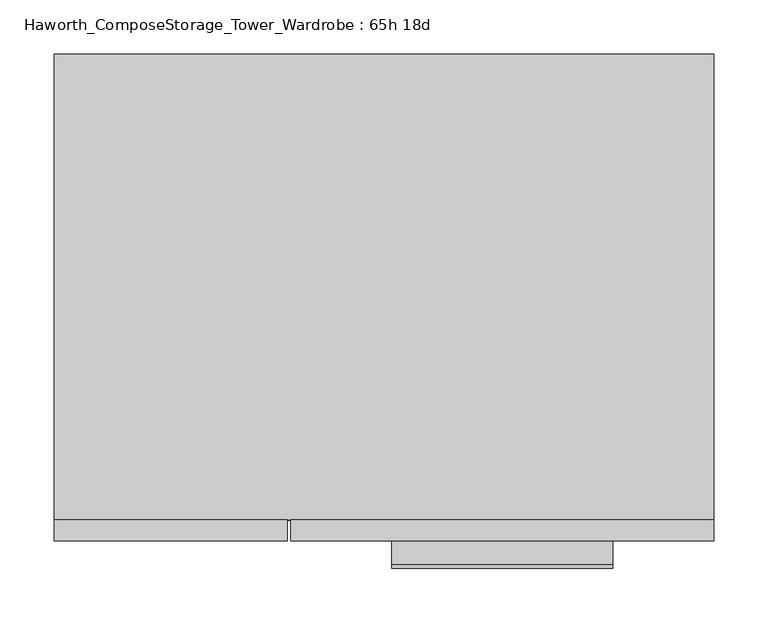
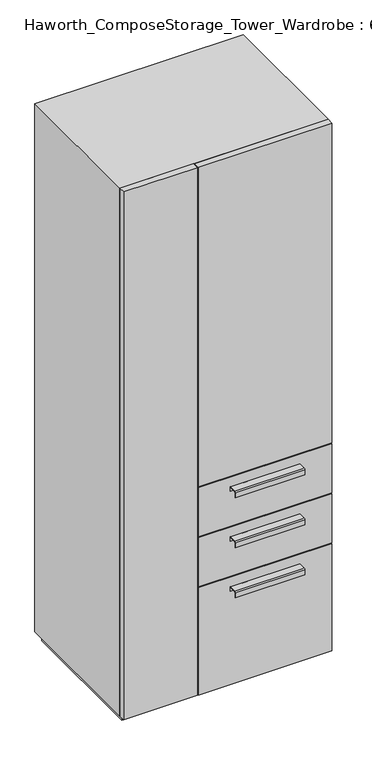
"""IFC4 building model written with IfcOpenShell, lengths in millimetres: furniture geometry, Haworth_ComposeStorage_Tower_Wardrobe : 65h 18d."""

from ifc_helpers import new_model, si_unit, point, frame, frame_2d, origin, origin_with_axes, place, context, project, spatial, polyline, circle_curve, trimmed, segment, composite_curve, outline, extrude, faceted_brep, source, transform, mapped, element, save


def haworth_composestorage_tower_wardrobe_65h_18d_4445e06e(model_context):
    return source(origin(), model_context, "Body", "SolidModel", [
        extrude(outline(composite_curve([segment(polyline([(-255.5875242, 633.9919215), (-233.3625, 633.9919215), (-233.3625, 620.5299525), (-234.1562742, 620.5299525), (-234.1562742, 633.1982199), (-255.5875242, 633.1982199)]), True, "CONTINUOUS"), segment(trimmed(circle_curve(frame_2d((-255.5875242, 630.8142808)), 2.3839392), [point((-255.5875242, 633.1982199))], [point((-257.9714634, 630.8142808))], True, "CARTESIAN"), True, "CONTINUOUS"), segment(polyline([(-257.9714634, 630.8142808), (-257.9714634, 616.2119021), (-258.7624758, 616.2119021), (-258.7624758, 630.8169699)]), True, "CONTINUOUS"), segment(trimmed(circle_curve(frame_2d((-255.5875242, 630.8169699)), 3.1749516), [point((-258.7624758, 630.8169699))], [point((-255.5875242, 633.9919215))], False, "CARTESIAN"), True, "CONTINUOUS")], self_intersect=False)), frame((7.1576406, 0.0, 0.0), z_axis=(1.0, 0.0, 0.0), x_axis=(0.0, 1.0, 0.0)), (0.0, 0.0, 1.0), 203.2),
        extrude(outline(polyline([(303.2263906, -214.3125), (303.2263906, -233.3625), (-85.7111094, -233.3625), (-85.7111094, -214.3125), (303.2263906, -214.3125)])), frame((0.0, 0.0, 512.7625), z_axis=(0.0, 0.0, 1.0), x_axis=(1.0, 0.0, 0.0)), (0.0, 0.0, 1.0), 150.8125),
        extrude(outline(composite_curve([segment(polyline([(-255.5875242, 480.0044215), (-233.3625, 480.0044215), (-233.3625, 466.5424525), (-234.1562742, 466.5424525), (-234.1562742, 479.2107199), (-255.5875242, 479.2107199)]), True, "CONTINUOUS"), segment(trimmed(circle_curve(frame_2d((-255.5875242, 476.8267808)), 2.3839392), [point((-255.5875242, 479.2107199))], [point((-257.9714634, 476.8267808))], True, "CARTESIAN"), True, "CONTINUOUS"), segment(polyline([(-257.9714634, 476.8267808), (-257.9714634, 462.2244021), (-258.7624758, 462.2244021), (-258.7624758, 476.8294699)]), True, "CONTINUOUS"), segment(trimmed(circle_curve(frame_2d((-255.5875242, 476.8294699)), 3.1749516), [point((-258.7624758, 476.8294699))], [point((-255.5875242, 480.0044215))], False, "CARTESIAN"), True, "CONTINUOUS")], self_intersect=False)), frame((7.1576406, 0.0, 0.0), z_axis=(1.0, 0.0, 0.0), x_axis=(0.0, 1.0, 0.0)), (0.0, 0.0, 1.0), 203.2),
        extrude(outline(polyline([(303.2263906, -214.3125), (303.2263906, -233.3625), (-85.7111094, -233.3625), (-85.7111094, -214.3125), (303.2263906, -214.3125)])), frame((0.0, 0.0, 358.775), z_axis=(0.0, 0.0, 1.0), x_axis=(1.0, 0.0, 0.0)), (0.0, 0.0, 1.0), 150.8125),
        extrude(outline(composite_curve([segment(polyline([(-255.5875242, 326.0169215), (-233.3625, 326.0169215), (-233.3625, 312.5549525), (-234.1562742, 312.5549525), (-234.1562742, 325.2232199), (-255.5875242, 325.2232199)]), True, "CONTINUOUS"), segment(trimmed(circle_curve(frame_2d((-255.5875242, 322.8392808)), 2.3839392), [point((-255.5875242, 325.2232199))], [point((-257.9714634, 322.8392808))], True, "CARTESIAN"), True, "CONTINUOUS"), segment(polyline([(-257.9714634, 322.8392808), (-257.9714634, 308.2369021), (-258.7624758, 308.2369021), (-258.7624758, 322.8419699)]), True, "CONTINUOUS"), segment(trimmed(circle_curve(frame_2d((-255.5875242, 322.8419699)), 3.1749516), [point((-258.7624758, 322.8419699))], [point((-255.5875242, 326.0169215))], False, "CARTESIAN"), True, "CONTINUOUS")], self_intersect=False)), frame((7.1576406, 0.0, 0.0), z_axis=(1.0, 0.0, 0.0), x_axis=(0.0, 1.0, 0.0)), (0.0, 0.0, 1.0), 203.2),
        extrude(outline(polyline([(303.2263906, -214.3125), (303.2263906, -233.3625), (-85.7111094, -233.3625), (-85.7111094, -214.3125), (303.2263906, -214.3125)])), frame((0.0, 0.0, 25.4), z_axis=(0.0, 0.0, 1.0), x_axis=(1.0, 0.0, 0.0)), (0.0, 0.0, 1.0), 330.2),
        extrude(outline(polyline([(303.2263906, -214.3125), (303.2263906, -233.3625), (-85.7111094, -233.3625), (-85.7111094, -214.3125), (303.2263906, -214.3125)])), frame((0.0, 0.0, 666.75), z_axis=(0.0, 0.0, 1.0), x_axis=(1.0, 0.0, 0.0)), (0.0, 0.0, 1.0), 984.25),
        extrude(outline(polyline([(-303.1986094, -233.3625), (-303.1986094, -214.3125), (-88.8861094, -214.3125), (-88.8861094, -233.3625), (-303.1986094, -233.3625)])), frame((0.0, 0.0, 25.4), z_axis=(0.0, 0.0, 1.0), x_axis=(1.0, 0.0, 0.0)), (0.0, 0.0, 1.0), 1625.6),
        faceted_brep([(-303.1986094, -214.3125, 25.4), (303.2263906, -214.3125, 25.4), (303.2263906, -214.3125, 1651.0), (-303.1986094, -214.3125, 1651.0), (-284.1486094, -214.3125, 44.45), (-284.1486094, -214.3125, 1631.95), (284.1694453, -214.3125, 1631.95), (284.1694453, -214.3125, 44.45), (-303.1986094, 214.3125, 25.4), (-303.1986094, 214.3125, 1651.0), (303.2263906, 214.3125, 1651.0), (303.2263906, 214.3125, 25.4), (-284.1486094, 195.2625, 44.45), (-284.1486094, 195.2625, 1631.95), (284.1694453, 195.2625, 1631.95), (284.1694453, 195.2625, 44.45)], [[[0, 1, 2, 3], [4, 5, 6, 7]], [[8, 9, 10, 11]], [[1, 0, 8, 11]], [[2, 1, 11, 10]], [[3, 2, 10, 9]], [[0, 3, 9, 8]], [[5, 4, 12, 13]], [[6, 5, 13, 14]], [[7, 6, 14, 15]], [[4, 7, 15, 12]], [[13, 12, 15, 14]]]),
        extrude(outline(polyline([(290.5263906, -201.6125), (-290.4986094, -201.6125), (-290.4986094, 201.6125), (290.5263906, 201.6125), (290.5263906, -201.6125)])), origin_with_axes(), (0.0, 0.0, 1.0), 25.4),
    ])


if __name__ == "__main__":
    model = new_model("IFC4")
    model_context = context("Model", 3, world=origin())
    ifc_project = project(units=[si_unit("LENGTHUNIT", "METRE", prefix="MILLI")], contexts=[model_context])
    site = spatial("IfcSite", under=ifc_project)
    building = spatial("IfcBuilding", under=site)
    placement = place(None, origin())
    haworth_composestorage_tower_wardrobe_65h_18d_shape = haworth_composestorage_tower_wardrobe_65h_18d_4445e06e(model_context)
    element("IfcFurniture", 1, ObjectType="Haworth_ComposeStorage_Tower_Wardrobe : 65h 18d", at=placement, inside=building, context=model_context, shape_type="MappedRepresentation", body=[
        mapped(haworth_composestorage_tower_wardrobe_65h_18d_shape, transform((0.0, 0.0, 0.0), x_axis=(1.0, 0.0, 0.0), y_axis=(0.0, 1.0, 0.0), z_axis=(0.0, 0.0, 1.0))),
    ])
    save(model, "model.ifc")
